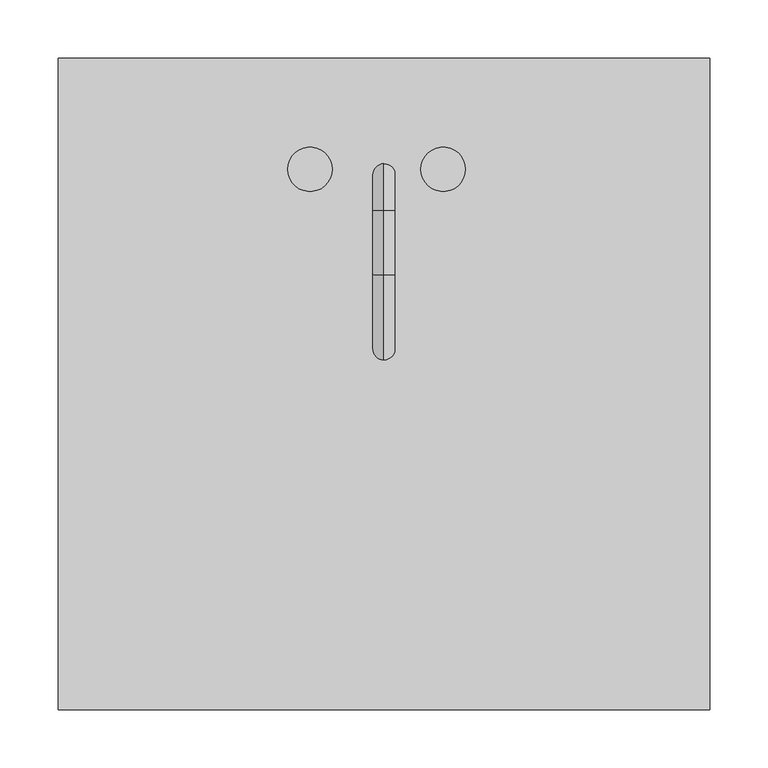
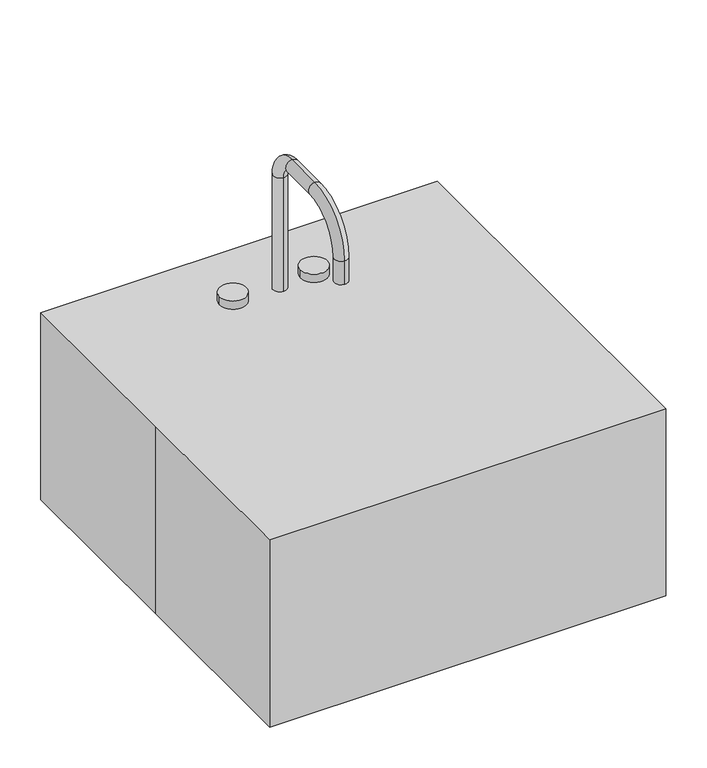
"""IFC4 building model written with IfcOpenShell, lengths in millimetres: proxy geometry."""

from ifc_helpers import new_model, si_unit, point, frame, frame_2d, origin, origin_with_axes, origin_2d, place, context, project, spatial, polyline, circle_curve, ellipse_curve, trimmed, segment, composite_curve, outline, extrude, source, transform, mapped, element, save
from ifc_brep_helpers import plane_surface, cylinder_surface, revolved_surface, advanced_brep


def specialty_equipment_6fe3dbbb(model_context):
    return source(origin(), model_context, "Body", "SolidModel", [
        extrude(outline(composite_curve([segment(trimmed(circle_curve(frame_2d((139.6999999, 92.075)), 25.4), [point((139.6999999, 117.475))], [point((165.0999999, 92.075))], False, "CARTESIAN"), True, "CONTINUOUS"), segment(polyline([(165.0999999, 92.075), (165.0999999, -101.6)]), True, "CONTINUOUS"), segment(trimmed(circle_curve(frame_2d((139.6999999, -101.6)), 25.4), [point((165.0999999, -101.6))], [point((139.6999999, -127.0))], False, "CARTESIAN"), True, "CONTINUOUS"), segment(polyline([(139.6999999, -127.0), (-139.7000001, -127.0)]), True, "CONTINUOUS"), segment(trimmed(circle_curve(frame_2d((-139.7000001, -101.6)), 25.4), [point((-139.7000001, -127.0))], [point((-165.1000001, -101.6))], False, "CARTESIAN"), True, "CONTINUOUS"), segment(polyline([(-165.1000001, -101.6), (-165.1000001, 92.075)]), True, "CONTINUOUS"), segment(trimmed(circle_curve(frame_2d((-139.7000001, 92.075)), 25.4), [point((-165.1000001, 92.075))], [point((-139.7000001, 117.475))], False, "CARTESIAN"), True, "CONTINUOUS"), segment(polyline([(-139.7000001, 117.475), (139.6999999, 117.475)]), True, "CONTINUOUS")], self_intersect=False), holes=[composite_curve([segment(trimmed(circle_curve(origin_2d(), 12.7), [point((-12.7, 0.0))], [point((12.7, 0.0))], True, "CARTESIAN"), True, "CONTINUOUS"), segment(trimmed(circle_curve(origin_2d(), 12.7), [point((12.7, 0.0))], [point((-12.7, 0.0))], True, "CARTESIAN"), True, "CONTINUOUS")], self_intersect=False)]), origin_with_axes(), (0.0, 0.0, 1.0), 9.525),
        extrude(outline(polyline([(-279.4, 279.4), (279.4, 279.4), (279.4, -279.4), (-279.4, -279.4), (-279.4, 0.0), (-279.4, 279.4)])), origin_with_axes(), (0.0, 0.0, 1.0), 279.4),
        extrude(outline(composite_curve([segment(trimmed(circle_curve(frame_2d((76.1999999, 184.15)), 19.05), [point((76.1999999, 203.2))], [point((76.1999999, 165.1))], False, "CARTESIAN"), True, "CONTINUOUS"), segment(polyline([(76.1999999, 165.1), (-88.9000001, 165.1)]), True, "CONTINUOUS"), segment(trimmed(circle_curve(frame_2d((-88.9000001, 184.15)), 19.05), [point((-88.9000001, 165.1))], [point((-88.9000001, 203.2))], False, "CARTESIAN"), True, "CONTINUOUS"), segment(polyline([(-88.9000001, 203.2), (76.1999999, 203.2)]), True, "CONTINUOUS")], self_intersect=False), holes=[composite_curve([segment(trimmed(circle_curve(frame_2d((-1e-07, 179.3875)), 9.525), [point((-9.5250001, 179.3875))], [point((9.5249999, 179.3875))], True, "CARTESIAN"), True, "CONTINUOUS"), segment(trimmed(circle_curve(frame_2d((-1e-07, 179.3875)), 9.525), [point((9.5249999, 179.3875))], [point((-9.5250001, 179.3875))], True, "CARTESIAN"), True, "CONTINUOUS")], self_intersect=False)]), frame((0.0, 0.0, 228.6), z_axis=(0.0, 0.0, 1.0), x_axis=(1.0, 0.0, 0.0)), (0.0, 0.0, 1.0), 12.7),
        extrude(outline(composite_curve([segment(trimmed(circle_curve(frame_2d((-1e-07, 179.3875)), 12.7), [point((-12.7000001, 179.3875))], [point((12.6999999, 179.3875))], False, "CARTESIAN"), True, "CONTINUOUS"), segment(trimmed(circle_curve(frame_2d((-1e-07, 179.3875)), 12.7), [point((12.6999999, 179.3875))], [point((-12.7000001, 179.3875))], False, "CARTESIAN"), True, "CONTINUOUS")], self_intersect=False), holes=[composite_curve([segment(trimmed(circle_curve(frame_2d((-1e-07, 179.3875)), 9.525), [point((-9.5250001, 179.3875))], [point((9.5249999, 179.3875))], True, "CARTESIAN"), True, "CONTINUOUS"), segment(trimmed(circle_curve(frame_2d((-1e-07, 179.3875)), 9.525), [point((9.5249999, 179.3875))], [point((-9.5250001, 179.3875))], True, "CARTESIAN"), True, "CONTINUOUS")], self_intersect=False)]), frame((0.0, 0.0, 241.3), z_axis=(0.0, 0.0, 1.0), x_axis=(1.0, 0.0, 0.0)), (0.0, 0.0, 1.0), 12.7),
        advanced_brep(
        [(-1e-07, 188.9125, 228.6), (-1e-07, 169.8625, 228.6), (-1e-07, 188.9125, 449.2625), (-1e-07, 169.8625, 449.2625), (-1e-07, 149.225, 469.9), (-1e-07, 149.225, 488.95), (-1e-07, 93.6625, 488.95), (-1e-07, 93.6625, 469.9), (-1e-07, 39.6875, 415.925), (-1e-07, 20.6375, 415.925), (-1e-07, 20.6375, 381.0), (-1e-07, 39.6875, 381.0)],
        [
            (0, 1, circle_curve(frame((-1e-07, 179.3875, 228.6), z_axis=(0.0, 0.0, -1.0), x_axis=(0.0, -1.0, 0.0)), 9.525)),
            (1, 0, circle_curve(frame((-1e-07, 179.3875, 228.6), z_axis=(0.0, 0.0, -1.0), x_axis=(0.0, -1.0, 0.0)), 9.525)),
            (0, 2),
            (2, 3, circle_curve(frame((-1e-07, 179.3875, 449.2625), z_axis=(0.0, 0.0, -1.0), x_axis=(0.0, -1.0, 0.0)), 9.525)),
            (3, 1),
            (3, 2, circle_curve(frame((-1e-07, 179.3875, 449.2625), z_axis=(0.0, 0.0, -1.0), x_axis=(0.0, -1.0, 0.0)), 9.525)),
            (4, 3, circle_curve(frame((-1e-07, 149.225, 449.2625), z_axis=(-1.0, 0.0, 0.0), x_axis=(0.0, 1.0, 0.0)), 20.6375)),
            (2, 5, circle_curve(frame((-1e-07, 149.225, 449.2625), z_axis=(1.0, 0.0, 0.0), x_axis=(0.0, 1.0, 0.0)), 39.6875)),
            (5, 4, circle_curve(frame((-1e-07, 149.225, 479.425), z_axis=(0.0, 1.0, 0.0), x_axis=(0.0, 0.0, -1.0)), 9.525)),
            (4, 5, circle_curve(frame((-1e-07, 149.225, 479.425), z_axis=(0.0, 1.0, 0.0), x_axis=(0.0, 0.0, -1.0)), 9.525)),
            (5, 6),
            (6, 7, circle_curve(frame((-1e-07, 93.6625, 479.425), z_axis=(0.0, 1.0, 0.0), x_axis=(0.0, 0.0, -1.0)), 9.525)),
            (7, 4),
            (7, 6, circle_curve(frame((-1e-07, 93.6625, 479.425), z_axis=(0.0, 1.0, 0.0), x_axis=(0.0, 0.0, -1.0)), 9.525)),
            (8, 7, circle_curve(frame((-1e-07, 93.6625, 415.925), z_axis=(-1.0, 0.0, 0.0), x_axis=(0.0, 0.0, 1.0)), 53.975)),
            (6, 9, circle_curve(frame((-1e-07, 93.6625, 415.925), z_axis=(1.0, 0.0, 0.0), x_axis=(0.0, 0.0, 1.0)), 73.025)),
            (9, 8, circle_curve(frame((-1e-07, 30.1625, 415.925), z_axis=(0.0, 0.0, 1.0), x_axis=(0.0, 1.0, 0.0)), 9.525)),
            (8, 9, circle_curve(frame((-1e-07, 30.1625, 415.925), z_axis=(0.0, 0.0, 1.0), x_axis=(0.0, 1.0, 0.0)), 9.525)),
            (10, 11, circle_curve(frame((-1e-07, 30.1625, 381.0), z_axis=(0.0, 0.0, -1.0), x_axis=(0.0, 1.0, 0.0)), 9.525)),
            (11, 10, circle_curve(frame((-1e-07, 30.1625, 381.0), z_axis=(0.0, 0.0, -1.0), x_axis=(0.0, 1.0, 0.0)), 9.525)),
            (9, 10),
            (11, 8),
        ],
        [
            plane_surface(frame((-1e-07, 169.8625, 228.6), z_axis=(0.0, 0.0, -1.0), x_axis=(1.0, 0.0, 0.0))),
            cylinder_surface(frame((-1e-07, 179.3875, 228.6), z_axis=(0.0, 0.0, -1.0), x_axis=(0.0, -1.0, 0.0)), 9.525),
            revolved_surface(trimmed(ellipse_curve(frame((-1e-07, 179.3875, 449.2625), z_axis=(0.0, 0.0, -1.0), x_axis=(0.0, -1.0, 0.0)), 9.525, 9.525), [point((-1e-07, 188.9125, 449.2625))], [point((-1e-07, 169.8625, 449.2625))], True, "CARTESIAN"), (-1e-07, 149.225, 449.2625), (1.0, 0.0, 0.0)),
            revolved_surface(trimmed(ellipse_curve(frame((-1e-07, 179.3875, 449.2625), z_axis=(0.0, 0.0, -1.0), x_axis=(0.0, -1.0, 0.0)), 9.525, 9.525), [point((-1e-07, 169.8625, 449.2625))], [point((-1e-07, 188.9125, 449.2625))], True, "CARTESIAN"), (-1e-07, 149.225, 449.2625), (1.0, 0.0, 0.0)),
            cylinder_surface(frame((-1e-07, 149.225, 479.425), z_axis=(0.0, 1.0, 0.0), x_axis=(0.0, 0.0, -1.0)), 9.525),
            revolved_surface(trimmed(ellipse_curve(frame((-1e-07, 93.6625, 479.425), z_axis=(0.0, 1.0, 0.0), x_axis=(0.0, 0.0, -1.0)), 9.525, 9.525), [point((-1e-07, 93.6625, 488.95))], [point((-1e-07, 93.6625, 469.9))], True, "CARTESIAN"), (-1e-07, 93.6625, 415.925), (1.0, 0.0, 0.0)),
            revolved_surface(trimmed(ellipse_curve(frame((-1e-07, 93.6625, 479.425), z_axis=(0.0, 1.0, 0.0), x_axis=(0.0, 0.0, -1.0)), 9.525, 9.525), [point((-1e-07, 93.6625, 469.9))], [point((-1e-07, 93.6625, 488.95))], True, "CARTESIAN"), (-1e-07, 93.6625, 415.925), (1.0, 0.0, 0.0)),
            plane_surface(frame((-1e-07, 20.6375, 381.0), z_axis=(0.0, 0.0, -1.0), x_axis=(-1.0, 0.0, 0.0))),
            cylinder_surface(frame((-1e-07, 30.1625, 415.925), z_axis=(0.0, 0.0, 1.0), x_axis=(0.0, 1.0, 0.0)), 9.525),
        ],
        [
            (0, [[1, 2]]),
            (1, [[-1, 3, 4, 5]]),
            (1, [[-2, -5, 6, -3]]),
            (2, [[7, -4, 8, 9]]),
            (3, [[-8, -6, -7, 10]]),
            (4, [[-9, 11, 12, 13]]),
            (4, [[-10, -13, 14, -11]]),
            (5, [[15, -12, 16, 17]]),
            (6, [[-16, -14, -15, 18]]),
            (7, [[19, 20]]),
            (8, [[-17, 21, -20, 22]]),
            (8, [[-18, -22, -19, -21]]),
        ],
    ),
        extrude(outline(composite_curve([segment(trimmed(circle_curve(frame_2d((-63.5000001, 184.15)), 19.05), [point((-82.5500001, 184.15))], [point((-44.4500001, 184.15))], False, "CARTESIAN"), True, "CONTINUOUS"), segment(trimmed(circle_curve(frame_2d((-63.5000001, 184.15)), 19.05), [point((-44.4500001, 184.15))], [point((-82.5500001, 184.15))], False, "CARTESIAN"), True, "CONTINUOUS")], self_intersect=False)), frame((0.0, 0.0, 241.3), z_axis=(0.0, 0.0, 1.0), x_axis=(1.0, 0.0, 0.0)), (0.0, 0.0, 1.0), 50.8),
        extrude(outline(composite_curve([segment(trimmed(circle_curve(frame_2d((50.7999999, 184.15)), 19.05), [point((31.7499999, 184.15))], [point((69.8499999, 184.15))], False, "CARTESIAN"), True, "CONTINUOUS"), segment(trimmed(circle_curve(frame_2d((50.7999999, 184.15)), 19.05), [point((69.8499999, 184.15))], [point((31.7499999, 184.15))], False, "CARTESIAN"), True, "CONTINUOUS")], self_intersect=False)), frame((0.0, 0.0, 241.3), z_axis=(0.0, 0.0, 1.0), x_axis=(1.0, 0.0, 0.0)), (0.0, 0.0, 1.0), 50.8),
        advanced_brep(
        [(-139.7000001, 161.925, 0.0), (-139.7000001, 161.925, 215.9), (139.6999999, 161.925, 215.9), (139.6999999, 161.925, 0.0), (-139.7000001, 117.475, 0.0), (139.6999999, 117.475, 0.0), (-139.7000001, 117.475, 9.525), (139.6999999, 117.475, 9.525), (-139.7000001, 120.0634182, 9.525), (139.6999999, 120.0634182, 9.525), (-139.7000001, 139.0409272, 26.9146831), (139.6999999, 139.0409272, 26.9146831), (-139.7000001, 155.575, 215.9), (139.6999999, 155.575, 215.9), (209.5499999, 92.075, 0.0), (209.5499999, 92.075, 215.9), (165.0999999, 92.075, 0.0), (165.0999999, 92.075, 9.525), (167.6884181, 92.075, 9.525), (186.6659271, 92.075, 26.9146831), (203.1999999, 92.075, 215.9), (209.5499999, -101.6, 215.9), (209.5499999, -101.6, 0.0), (165.0999999, -101.6, 0.0), (165.0999999, -101.6, 9.525), (167.6884181, -101.6, 9.525), (186.6659271, -101.6, 26.9146831), (203.1999999, -101.6, 215.9), (139.6999999, -171.45, 0.0), (139.6999999, -171.45, 215.9), (139.6999999, -127.0, 0.0), (139.6999999, -127.0, 9.525), (139.6999999, -129.5884182, 9.525), (139.6999999, -148.5659272, 26.9146831), (139.6999999, -165.1, 215.9), (-139.7000001, -171.45, 215.9), (-139.7000001, -171.45, 0.0), (-139.7000001, -127.0, 0.0), (-139.7000001, -127.0, 9.525), (-139.7000001, -129.5884182, 9.525), (-139.7000001, -148.5659272, 26.9146831), (-139.7000001, -165.1, 215.9), (-209.5500001, -101.6, 0.0), (-209.5500001, -101.6, 215.9), (-165.1000001, -101.6, 0.0), (-165.1000001, -101.6, 9.525), (-167.6884183, -101.6, 9.525), (-186.6659273, -101.6, 26.9146831), (-203.2000001, -101.6, 215.9), (-209.5500001, 92.075, 215.9), (-209.5500001, 92.075, 0.0), (-165.1000001, 92.075, 0.0), (-165.1000001, 92.075, 9.525), (-167.6884183, 92.075, 9.525), (-186.6659273, 92.075, 26.9146831), (-203.2000001, 92.075, 215.9)],
        [
            (0, 1),
            (1, 2),
            (2, 3),
            (3, 0),
            (4, 0),
            (3, 5),
            (5, 4),
            (6, 4),
            (5, 7),
            (7, 6),
            (8, 6),
            (7, 9),
            (9, 8),
            (10, 8, circle_curve(frame((-139.7000001, 120.0634182, 28.575), z_axis=(-1.0, 0.0, 0.0), x_axis=(0.0, 1.0, 0.0)), 19.05)),
            (9, 11, circle_curve(frame((139.6999999, 120.0634182, 28.575), z_axis=(1.0, 0.0, 0.0), x_axis=(0.0, 1.0, 0.0)), 19.05)),
            (11, 10),
            (12, 10),
            (11, 13),
            (13, 12),
            (1, 12),
            (13, 2),
            (14, 3, circle_curve(frame((139.6999999, 92.075, 0.0), z_axis=(0.0, 0.0, 1.0), x_axis=(0.0, 1.0, 0.0)), 69.85)),
            (2, 15, circle_curve(frame((139.6999999, 92.075, 215.9), z_axis=(0.0, 0.0, -1.0), x_axis=(0.0, 1.0, 0.0)), 69.85)),
            (15, 14),
            (16, 5, circle_curve(frame((139.6999999, 92.075, 0.0), z_axis=(0.0, 0.0, 1.0), x_axis=(0.0, 1.0, 0.0)), 25.4)),
            (14, 16),
            (17, 7, circle_curve(frame((139.6999999, 92.075, 9.525), z_axis=(0.0, 0.0, 1.0), x_axis=(0.0, 1.0, 0.0)), 25.4)),
            (16, 17),
            (18, 9, circle_curve(frame((139.6999999, 92.075, 9.525), z_axis=(0.0, 0.0, 1.0), x_axis=(0.0, 1.0, 0.0)), 27.9884182)),
            (17, 18),
            (19, 11, circle_curve(frame((139.6999999, 92.075, 26.9146831), z_axis=(0.0, 0.0, 1.0), x_axis=(0.0, 1.0, 0.0)), 46.9659272)),
            (18, 19, circle_curve(frame((167.6884181, 92.075, 28.575), z_axis=(0.0, -1.0, 0.0), x_axis=(1.0, 0.0, 0.0)), 19.05)),
            (20, 13, circle_curve(frame((139.6999999, 92.075, 215.9), z_axis=(0.0, 0.0, 1.0), x_axis=(0.0, 1.0, 0.0)), 63.5)),
            (19, 20),
            (20, 15),
            (15, 21),
            (21, 22),
            (22, 14),
            (22, 23),
            (23, 16),
            (23, 24),
            (24, 17),
            (24, 25),
            (25, 18),
            (25, 26, circle_curve(frame((167.6884181, -101.6, 28.575), z_axis=(0.0, -1.0, 0.0), x_axis=(1.0, 0.0, 0.0)), 19.05)),
            (26, 19),
            (26, 27),
            (27, 20),
            (27, 21),
            (28, 22, circle_curve(frame((139.6999999, -101.6, 0.0), z_axis=(0.0, 0.0, 1.0), x_axis=(1.0, 0.0, 0.0)), 69.85)),
            (21, 29, circle_curve(frame((139.6999999, -101.6, 215.9), z_axis=(0.0, 0.0, -1.0), x_axis=(1.0, 0.0, 0.0)), 69.85)),
            (29, 28),
            (30, 23, circle_curve(frame((139.6999999, -101.6, 0.0), z_axis=(0.0, 0.0, 1.0), x_axis=(1.0, 0.0, 0.0)), 25.4)),
            (28, 30),
            (31, 24, circle_curve(frame((139.6999999, -101.6, 9.525), z_axis=(0.0, 0.0, 1.0), x_axis=(1.0, 0.0, 0.0)), 25.4)),
            (30, 31),
            (32, 25, circle_curve(frame((139.6999999, -101.6, 9.525), z_axis=(0.0, 0.0, 1.0), x_axis=(1.0, 0.0, 0.0)), 27.9884182)),
            (31, 32),
            (33, 26, circle_curve(frame((139.6999999, -101.6, 26.9146831), z_axis=(0.0, 0.0, 1.0), x_axis=(1.0, 0.0, 0.0)), 46.9659272)),
            (32, 33, circle_curve(frame((139.6999999, -129.5884182, 28.575), z_axis=(-1.0, 0.0, 0.0), x_axis=(0.0, -1.0, 0.0)), 19.05)),
            (34, 27, circle_curve(frame((139.6999999, -101.6, 215.9), z_axis=(0.0, 0.0, 1.0), x_axis=(1.0, 0.0, 0.0)), 63.5)),
            (33, 34),
            (34, 29),
            (29, 35),
            (35, 36),
            (36, 28),
            (36, 37),
            (37, 30),
            (37, 38),
            (38, 31),
            (38, 39),
            (39, 32),
            (39, 40, circle_curve(frame((-139.7000001, -129.5884182, 28.575), z_axis=(-1.0, 0.0, 0.0), x_axis=(0.0, -1.0, 0.0)), 19.05)),
            (40, 33),
            (40, 41),
            (41, 34),
            (41, 35),
            (42, 36, circle_curve(frame((-139.7000001, -101.6, 0.0), z_axis=(0.0, 0.0, 1.0), x_axis=(0.0, -1.0, 0.0)), 69.85)),
            (35, 43, circle_curve(frame((-139.7000001, -101.6, 215.9), z_axis=(0.0, 0.0, -1.0), x_axis=(0.0, -1.0, 0.0)), 69.85)),
            (43, 42),
            (44, 37, circle_curve(frame((-139.7000001, -101.6, 0.0), z_axis=(0.0, 0.0, 1.0), x_axis=(0.0, -1.0, 0.0)), 25.4)),
            (42, 44),
            (45, 38, circle_curve(frame((-139.7000001, -101.6, 9.525), z_axis=(0.0, 0.0, 1.0), x_axis=(0.0, -1.0, 0.0)), 25.4)),
            (44, 45),
            (46, 39, circle_curve(frame((-139.7000001, -101.6, 9.525), z_axis=(0.0, 0.0, 1.0), x_axis=(0.0, -1.0, 0.0)), 27.9884182)),
            (45, 46),
            (47, 40, circle_curve(frame((-139.7000001, -101.6, 26.9146831), z_axis=(0.0, 0.0, 1.0), x_axis=(0.0, -1.0, 0.0)), 46.9659272)),
            (46, 47, circle_curve(frame((-167.6884183, -101.6, 28.575), z_axis=(0.0, 1.0, 0.0), x_axis=(-1.0, 0.0, 0.0)), 19.05)),
            (48, 41, circle_curve(frame((-139.7000001, -101.6, 215.9), z_axis=(0.0, 0.0, 1.0), x_axis=(0.0, -1.0, 0.0)), 63.5)),
            (47, 48),
            (48, 43),
            (43, 49),
            (49, 50),
            (50, 42),
            (50, 51),
            (51, 44),
            (51, 52),
            (52, 45),
            (52, 53),
            (53, 46),
            (53, 54, circle_curve(frame((-167.6884183, 92.075, 28.575), z_axis=(0.0, 1.0, 0.0), x_axis=(-1.0, 0.0, 0.0)), 19.05)),
            (54, 47),
            (54, 55),
            (55, 48),
            (55, 49),
            (0, 50, circle_curve(frame((-139.7000001, 92.075, 0.0), z_axis=(0.0, 0.0, 1.0), x_axis=(-1.0, 0.0, 0.0)), 69.85)),
            (49, 1, circle_curve(frame((-139.7000001, 92.075, 215.9), z_axis=(0.0, 0.0, -1.0), x_axis=(-1.0, 0.0, 0.0)), 69.85)),
            (4, 51, circle_curve(frame((-139.7000001, 92.075, 0.0), z_axis=(0.0, 0.0, 1.0), x_axis=(-1.0, 0.0, 0.0)), 25.4)),
            (6, 52, circle_curve(frame((-139.7000001, 92.075, 9.525), z_axis=(0.0, 0.0, 1.0), x_axis=(-1.0, 0.0, 0.0)), 25.4)),
            (8, 53, circle_curve(frame((-139.7000001, 92.075, 9.525), z_axis=(0.0, 0.0, 1.0), x_axis=(-1.0, 0.0, 0.0)), 27.9884182)),
            (10, 54, circle_curve(frame((-139.7000001, 92.075, 26.9146831), z_axis=(0.0, 0.0, 1.0), x_axis=(-1.0, 0.0, 0.0)), 46.9659272)),
            (12, 55, circle_curve(frame((-139.7000001, 92.075, 215.9), z_axis=(0.0, 0.0, 1.0), x_axis=(-1.0, 0.0, 0.0)), 63.5)),
        ],
        [
            plane_surface(frame((-139.7000001, 161.925, 215.9), z_axis=(0.0, 1.0, 0.0), x_axis=(1.0, 0.0, 0.0))),
            plane_surface(frame((-139.7000001, 161.925, 0.0), z_axis=(0.0, 0.0, -1.0), x_axis=(1.0, 0.0, 0.0))),
            plane_surface(frame((-139.7000001, 117.475, 0.0), z_axis=(0.0, -1.0, 0.0), x_axis=(1.0, 0.0, 0.0))),
            plane_surface(frame((-139.7000001, 117.475, 9.525), z_axis=(0.0, 0.0, 1.0), x_axis=(1.0, 0.0, 0.0))),
            revolved_surface(polyline([(139.69999989999997, 139.1134182, 28.575), (-139.7000001, 139.1134182, 28.575)]), (-139.7000001, 120.0634182, 28.575), (1.0, 0.0, 0.0)),
            plane_surface(frame((-139.7000001, 139.0409272, 26.9146831), z_axis=(0.0, -0.9961946980917442, 0.08715574274767408), x_axis=(1.0, 0.0, 0.0))),
            plane_surface(frame((-139.7000001, 155.575, 215.9), z_axis=(0.0, 0.0, 1.0), x_axis=(1.0, 0.0, 0.0))),
            cylinder_surface(frame((139.6999999, 92.075, -647.7), z_axis=(0.0, 0.0, -1.0), x_axis=(0.0, 1.0, 0.0)), 69.85),
            plane_surface(frame((139.6999999, 92.075, 0.0), z_axis=(0.0, 0.0, -1.0), x_axis=(0.0, 1.0, 0.0))),
            revolved_surface(polyline([(139.6999999, 117.475, 0.0), (139.6999999, 117.475, 9.524999999999977)]), (139.6999999, 92.075, -647.7), (0.0, 0.0, -1.0)),
            plane_surface(frame((139.6999999, 92.075, 9.525), z_axis=(0.0, 0.0, 1.0), x_axis=(0.0, 1.0, 0.0))),
            revolved_surface(trimmed(ellipse_curve(frame((139.6999999, 120.0634182, 28.575), z_axis=(1.0, 0.0, 0.0), x_axis=(0.0, 1.0, 0.0)), 19.05, 19.05), [point((139.6999999, 120.0634182, 9.525))], [point((139.6999999, 139.0409272, 26.9146831))], True, "CARTESIAN"), (139.6999999, 92.075, -647.7), (0.0, 0.0, -1.0)),
            revolved_surface(polyline([(139.6999999, 139.0409272, 26.9146831), (139.6999999, 155.575, 215.9)]), (139.6999999, 92.075, -647.7), (0.0, 0.0, -1.0)),
            plane_surface(frame((139.6999999, 92.075, 215.9), z_axis=(0.0, 0.0, 1.0), x_axis=(0.0, 1.0, 0.0))),
            plane_surface(frame((209.5499999, 92.075, 215.9), z_axis=(1.0, 0.0, 0.0), x_axis=(0.0, -1.0, 0.0))),
            plane_surface(frame((209.5499999, 92.075, 0.0), z_axis=(0.0, 0.0, -1.0), x_axis=(0.0, -1.0, 0.0))),
            plane_surface(frame((165.0999999, 92.075, 0.0), z_axis=(-1.0, 0.0, 0.0), x_axis=(0.0, -1.0, 0.0))),
            plane_surface(frame((165.0999999, 92.075, 9.525), z_axis=(0.0, 0.0, 1.0), x_axis=(0.0, -1.0, 0.0))),
            revolved_surface(polyline([(186.73841810000002, -101.60000000000001, 28.575), (186.73841810000002, 92.075, 28.575)]), (167.6884181, 92.075, 28.575), (0.0, -1.0, 0.0)),
            plane_surface(frame((186.6659271, 92.075, 26.9146831), z_axis=(-0.9961946980917442, 0.0, 0.08715574274767408), x_axis=(0.0, -1.0, 0.0))),
            plane_surface(frame((203.1999999, 92.075, 215.9), z_axis=(0.0, 0.0, 1.0), x_axis=(0.0, -1.0, 0.0))),
            cylinder_surface(frame((139.6999999, -101.6, -647.7), z_axis=(0.0, 0.0, -1.0), x_axis=(1.0, 0.0, 0.0)), 69.85),
            plane_surface(frame((139.6999999, -101.6, 0.0), z_axis=(0.0, 0.0, -1.0), x_axis=(1.0, 0.0, 0.0))),
            revolved_surface(polyline([(165.0999999, -101.6, 0.0), (165.0999999, -101.6, 9.524999999999977)]), (139.6999999, -101.6, -647.7), (0.0, 0.0, -1.0)),
            plane_surface(frame((139.6999999, -101.6, 9.525), z_axis=(0.0, 0.0, 1.0), x_axis=(1.0, 0.0, 0.0))),
            revolved_surface(trimmed(ellipse_curve(frame((167.6884181, -101.6, 28.575), z_axis=(0.0, -1.0, 0.0), x_axis=(1.0, 0.0, 0.0)), 19.05, 19.05), [point((167.6884181, -101.6, 9.525))], [point((186.6659271, -101.6, 26.9146831))], True, "CARTESIAN"), (139.6999999, -101.6, -647.7), (0.0, 0.0, -1.0)),
            revolved_surface(polyline([(186.6659271, -101.6, 26.9146831), (203.1999999, -101.6, 215.9)]), (139.6999999, -101.6, -647.7), (0.0, 0.0, -1.0)),
            plane_surface(frame((139.6999999, -101.6, 215.9), z_axis=(0.0, 0.0, 1.0), x_axis=(1.0, 0.0, 0.0))),
            plane_surface(frame((139.6999999, -171.45, 215.9), z_axis=(0.0, -1.0, 0.0), x_axis=(-1.0, 0.0, 0.0))),
            plane_surface(frame((139.6999999, -171.45, 0.0), z_axis=(0.0, 0.0, -1.0), x_axis=(-1.0, 0.0, 0.0))),
            plane_surface(frame((139.6999999, -127.0, 0.0), z_axis=(0.0, 1.0, 0.0), x_axis=(-1.0, 0.0, 0.0))),
            plane_surface(frame((139.6999999, -127.0, 9.525), z_axis=(0.0, 0.0, 1.0), x_axis=(-1.0, 0.0, 0.0))),
            revolved_surface(polyline([(-139.70000009999998, -148.63841820000002, 28.575), (139.6999999, -148.63841820000002, 28.575)]), (139.6999999, -129.5884182, 28.575), (-1.0, 0.0, 0.0)),
            plane_surface(frame((139.6999999, -148.5659272, 26.9146831), z_axis=(0.0, 0.9961946980917442, 0.08715574274767408), x_axis=(-1.0, 0.0, 0.0))),
            plane_surface(frame((139.6999999, -165.1, 215.9), z_axis=(0.0, 0.0, 1.0), x_axis=(-1.0, 0.0, 0.0))),
            cylinder_surface(frame((-139.7000001, -101.6, -647.7), z_axis=(0.0, 0.0, -1.0), x_axis=(0.0, -1.0, 0.0)), 69.85),
            plane_surface(frame((-139.7000001, -101.6, 0.0), z_axis=(0.0, 0.0, -1.0), x_axis=(0.0, -1.0, 0.0))),
            revolved_surface(polyline([(-139.7000001, -127.0, 0.0), (-139.7000001, -127.0, 9.524999999999977)]), (-139.7000001, -101.6, -647.7), (0.0, 0.0, -1.0)),
            plane_surface(frame((-139.7000001, -101.6, 9.525), z_axis=(0.0, 0.0, 1.0), x_axis=(0.0, -1.0, 0.0))),
            revolved_surface(trimmed(ellipse_curve(frame((-139.7000001, -129.5884182, 28.575), z_axis=(-1.0, 0.0, 0.0), x_axis=(0.0, -1.0, 0.0)), 19.05, 19.05), [point((-139.7000001, -129.5884182, 9.525))], [point((-139.7000001, -148.5659272, 26.9146831))], True, "CARTESIAN"), (-139.7000001, -101.6, -647.7), (0.0, 0.0, -1.0)),
            revolved_surface(polyline([(-139.7000001, -148.5659272, 26.9146831), (-139.7000001, -165.1, 215.9)]), (-139.7000001, -101.6, -647.7), (0.0, 0.0, -1.0)),
            plane_surface(frame((-139.7000001, -101.6, 215.9), z_axis=(0.0, 0.0, 1.0), x_axis=(0.0, -1.0, 0.0))),
            plane_surface(frame((-209.5500001, -101.6, 215.9), z_axis=(-1.0, 0.0, 0.0), x_axis=(0.0, 1.0, 0.0))),
            plane_surface(frame((-209.5500001, -101.6, 0.0), z_axis=(0.0, 0.0, -1.0), x_axis=(0.0, 1.0, 0.0))),
            plane_surface(frame((-165.1000001, -101.6, 0.0), z_axis=(1.0, 0.0, 0.0), x_axis=(0.0, 1.0, 0.0))),
            plane_surface(frame((-165.1000001, -101.6, 9.525), z_axis=(0.0, 0.0, 1.0), x_axis=(0.0, 1.0, 0.0))),
            revolved_surface(polyline([(-186.7384183, 92.07500000000002, 28.575), (-186.7384183, -101.6, 28.575)]), (-167.6884183, -101.6, 28.575), (0.0, 1.0, 0.0)),
            plane_surface(frame((-186.6659273, -101.6, 26.9146831), z_axis=(0.9961946980917442, 0.0, 0.08715574274767408), x_axis=(0.0, 1.0, 0.0))),
            plane_surface(frame((-203.2000001, -101.6, 215.9), z_axis=(0.0, 0.0, 1.0), x_axis=(0.0, 1.0, 0.0))),
            cylinder_surface(frame((-139.7000001, 92.075, -647.7), z_axis=(0.0, 0.0, -1.0), x_axis=(-1.0, 0.0, 0.0)), 69.85),
            plane_surface(frame((-139.7000001, 92.075, 0.0), z_axis=(0.0, 0.0, -1.0), x_axis=(-1.0, 0.0, 0.0))),
            revolved_surface(polyline([(-165.10000010000002, 92.075, 0.0), (-165.10000010000002, 92.075, 9.524999999999977)]), (-139.7000001, 92.075, -647.7), (0.0, 0.0, -1.0)),
            plane_surface(frame((-139.7000001, 92.075, 9.525), z_axis=(0.0, 0.0, 1.0), x_axis=(-1.0, 0.0, 0.0))),
            revolved_surface(trimmed(ellipse_curve(frame((-167.6884183, 92.075, 28.575), z_axis=(0.0, 1.0, 0.0), x_axis=(-1.0, 0.0, 0.0)), 19.05, 19.05), [point((-167.6884183, 92.075, 9.525))], [point((-186.6659273, 92.075, 26.9146831))], True, "CARTESIAN"), (-139.7000001, 92.075, -647.7), (0.0, 0.0, -1.0)),
            revolved_surface(polyline([(-186.6659273, 92.075, 26.9146831), (-203.2000001, 92.075, 215.9)]), (-139.7000001, 92.075, -647.7), (0.0, 0.0, -1.0)),
            plane_surface(frame((-139.7000001, 92.075, 215.9), z_axis=(0.0, 0.0, 1.0), x_axis=(-1.0, 0.0, 0.0))),
        ],
        [
            (0, [[1, 2, 3, 4]]),
            (1, [[5, -4, 6, 7]]),
            (2, [[8, -7, 9, 10]]),
            (3, [[11, -10, 12, 13]]),
            (4, [[14, -13, 15, 16]]),
            (5, [[17, -16, 18, 19]]),
            (6, [[20, -19, 21, -2]]),
            (7, [[22, -3, 23, 24]]),
            (8, [[25, -6, -22, 26]]),
            (9, [[27, -9, -25, 28]]),
            (10, [[29, -12, -27, 30]]),
            (11, [[31, -15, -29, 32]]),
            (12, [[33, -18, -31, 34]]),
            (13, [[-23, -21, -33, 35]]),
            (14, [[-24, 36, 37, 38]]),
            (15, [[-26, -38, 39, 40]]),
            (16, [[-28, -40, 41, 42]]),
            (17, [[-30, -42, 43, 44]]),
            (18, [[-32, -44, 45, 46]]),
            (19, [[-34, -46, 47, 48]]),
            (20, [[-35, -48, 49, -36]]),
            (21, [[50, -37, 51, 52]]),
            (22, [[53, -39, -50, 54]]),
            (23, [[55, -41, -53, 56]]),
            (24, [[57, -43, -55, 58]]),
            (25, [[59, -45, -57, 60]]),
            (26, [[61, -47, -59, 62]]),
            (27, [[-51, -49, -61, 63]]),
            (28, [[-52, 64, 65, 66]]),
            (29, [[-54, -66, 67, 68]]),
            (30, [[-56, -68, 69, 70]]),
            (31, [[-58, -70, 71, 72]]),
            (32, [[-60, -72, 73, 74]]),
            (33, [[-62, -74, 75, 76]]),
            (34, [[-63, -76, 77, -64]]),
            (35, [[78, -65, 79, 80]]),
            (36, [[81, -67, -78, 82]]),
            (37, [[83, -69, -81, 84]]),
            (38, [[85, -71, -83, 86]]),
            (39, [[87, -73, -85, 88]]),
            (40, [[89, -75, -87, 90]]),
            (41, [[-79, -77, -89, 91]]),
            (42, [[-80, 92, 93, 94]]),
            (43, [[-82, -94, 95, 96]]),
            (44, [[-84, -96, 97, 98]]),
            (45, [[-86, -98, 99, 100]]),
            (46, [[-88, -100, 101, 102]]),
            (47, [[-90, -102, 103, 104]]),
            (48, [[-91, -104, 105, -92]]),
            (49, [[106, -93, 107, -1]]),
            (50, [[108, -95, -106, -5]]),
            (51, [[109, -97, -108, -8]]),
            (52, [[110, -99, -109, -11]]),
            (53, [[111, -101, -110, -14]]),
            (54, [[112, -103, -111, -17]]),
            (55, [[-107, -105, -112, -20]]),
        ],
    ),
        extrude(outline(composite_curve([segment(trimmed(circle_curve(frame_2d((-177.8, -139.7)), 63.5), [point((-177.8, -203.2))], [point((-241.3, -139.7))], False, "CARTESIAN"), True, "CONTINUOUS"), segment(polyline([(-241.3, -139.7), (-241.3, 139.7)]), True, "CONTINUOUS"), segment(trimmed(circle_curve(frame_2d((-177.8, 139.7)), 63.5), [point((-241.3, 139.7))], [point((-177.8, 203.2))], False, "CARTESIAN"), True, "CONTINUOUS"), segment(polyline([(-177.8, 203.2), (177.7999999, 203.2)]), True, "CONTINUOUS"), segment(trimmed(circle_curve(frame_2d((177.7999999, 139.7)), 63.5), [point((177.7999999, 203.2))], [point((241.2999999, 139.7))], False, "CARTESIAN"), True, "CONTINUOUS"), segment(polyline([(241.2999999, 139.7), (241.2999999, -139.7)]), True, "CONTINUOUS"), segment(trimmed(circle_curve(frame_2d((177.7999999, -139.7)), 63.5), [point((241.2999999, -139.7))], [point((177.7999999, -203.2))], False, "CARTESIAN"), True, "CONTINUOUS"), segment(polyline([(177.7999999, -203.2), (-177.8, -203.2)]), True, "CONTINUOUS")], self_intersect=False), holes=[composite_curve([segment(polyline([(139.6999999, 155.575), (-139.7000001, 155.575)]), True, "CONTINUOUS"), segment(trimmed(circle_curve(frame_2d((-139.7000001, 92.075)), 63.5), [point((-139.7000001, 155.575))], [point((-203.2000001, 92.075))], True, "CARTESIAN"), True, "CONTINUOUS"), segment(polyline([(-203.2000001, 92.075), (-203.2000001, -101.6)]), True, "CONTINUOUS"), segment(trimmed(circle_curve(frame_2d((-139.7000001, -101.6)), 63.5), [point((-203.2000001, -101.6))], [point((-139.7000001, -165.1))], True, "CARTESIAN"), True, "CONTINUOUS"), segment(polyline([(-139.7000001, -165.1), (139.6999999, -165.1)]), True, "CONTINUOUS"), segment(trimmed(circle_curve(frame_2d((139.6999999, -101.6)), 63.5), [point((139.6999999, -165.1))], [point((203.1999999, -101.6))], True, "CARTESIAN"), True, "CONTINUOUS"), segment(polyline([(203.1999999, -101.6), (203.1999999, 92.075)]), True, "CONTINUOUS"), segment(trimmed(circle_curve(frame_2d((139.6999999, 92.075)), 63.5), [point((203.1999999, 92.075))], [point((139.6999999, 155.575))], True, "CARTESIAN"), True, "CONTINUOUS")], self_intersect=False)]), frame((0.0, 0.0, 215.9), z_axis=(0.0, 0.0, 1.0), x_axis=(1.0, 0.0, 0.0)), (0.0, 0.0, 1.0), 12.7),
    ])


if __name__ == "__main__":
    model = new_model("IFC4")
    model_context = context("Model", 3, world=origin())
    ifc_project = project(units=[si_unit("LENGTHUNIT", "METRE", prefix="MILLI")], contexts=[model_context])
    site = spatial("IfcSite", under=ifc_project)
    building = spatial("IfcBuilding", under=site)
    placement = place(None, origin())
    specialty_equipment_shape = specialty_equipment_6fe3dbbb(model_context)
    element("IfcBuildingElementProxy", 1, Name="Specialty Equipment", at=placement, inside=building, context=model_context, shape_type="MappedRepresentation", body=[
        mapped(specialty_equipment_shape, transform((0.0, 0.0, 0.0), x_axis=(1.0, 0.0, 0.0), y_axis=(0.0, 1.0, 0.0), z_axis=(0.0, 0.0, 1.0))),
    ])
    save(model, "model.ifc")
